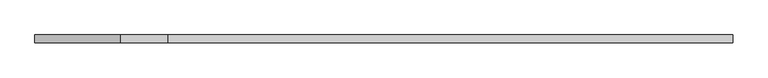
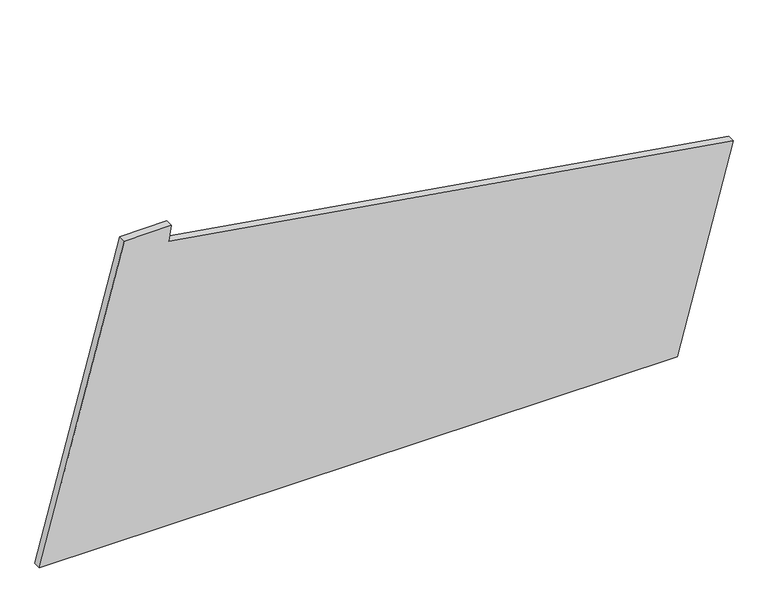
"""IFC4 building model written with IfcOpenShell, lengths in millimetres: plate geometry."""

from ifc_helpers import new_model, si_unit, frame, origin, place, context, project, spatial, polyline, outline, extrude, source, transform, mapped, element, save


def plate_8c287f8c(model_context):
    return source(origin(), model_context, "Body", "SweptSolid", [
        extrude(outline(polyline([(0.0, -1097.9183314), (0.0, 920.8702204), (660.7525454, 1097.9183314), (950.6456655, -688.4294365), (1000.0, -680.4200879), (1000.0, -829.9691389), (0.0, -1097.9183314)])), frame((0.0, 24.5, 0.0), z_axis=(0.0, 1.0, 0.0), x_axis=(0.0, 0.0, 1.0)), (0.0, 0.0, 1.0), 25.0),
    ])


if __name__ == "__main__":
    model = new_model("IFC4")
    model_context = context("Model", 3, world=origin())
    ifc_project = project(units=[si_unit("LENGTHUNIT", "METRE", prefix="MILLI")], contexts=[model_context])
    site = spatial("IfcSite", under=ifc_project)
    building = spatial("IfcBuilding", under=site)
    placement = place(None, origin())
    plate_shape = plate_8c287f8c(model_context)
    element("IfcPlate", 1, at=placement, inside=building, context=model_context, shape_type="MappedRepresentation", body=[
        mapped(plate_shape, transform((0.0, 0.0, 0.0), x_axis=(1.0, 0.0, 0.0), y_axis=(0.0, 1.0, 0.0), z_axis=(0.0, 0.0, 1.0))),
    ])
    save(model, "model.ifc")
